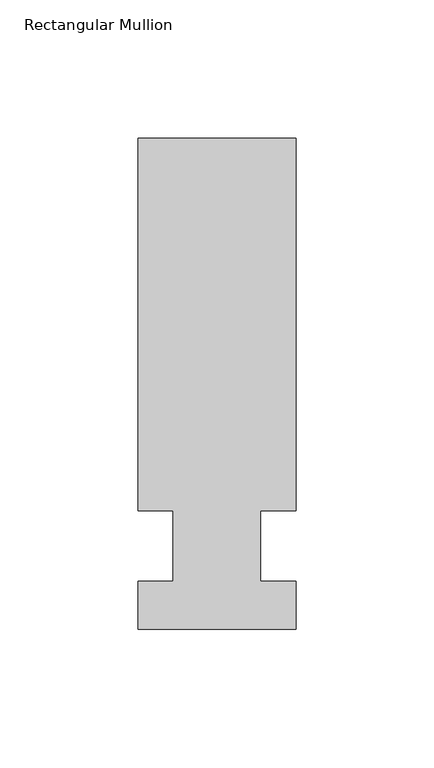
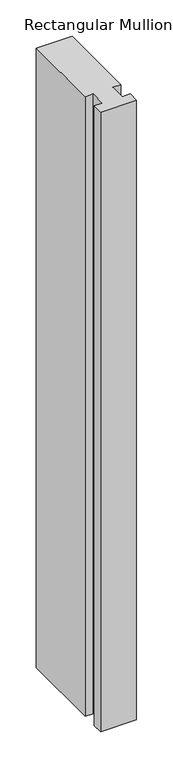
"""IFC4 building model written with IfcOpenShell, lengths in millimetres: member geometry, Rectangular Mullion."""

from ifc_helpers import new_model, si_unit, frame, origin, place, context, project, spatial, polyline, outline, extrude, source, transform, mapped, element, save


def rectangular_mullion_b8baf993(model_context):
    return source(origin(), model_context, "Body", "SweptSolid", [
        extrude(outline(polyline([(28.575, 147.6375), (28.575, 12.7), (15.8732296, 12.7), (15.8732296, -12.7), (28.575, -12.7), (28.575, -30.1625), (-28.575, -30.1625), (-28.575, -12.7), (-15.875, -12.7), (-15.875, 12.7), (-28.575, 12.7), (-28.575, 147.6375), (28.575, 147.6375)])), frame((0.0, 0.0, -1044.575), z_axis=(0.0, 0.0, 1.0), x_axis=(1.0, 0.0, 0.0)), (0.0, 0.0, 1.0), 1044.575),
    ])


if __name__ == "__main__":
    model = new_model("IFC4")
    model_context = context("Model", 3, world=origin())
    ifc_project = project(units=[si_unit("LENGTHUNIT", "METRE", prefix="MILLI")], contexts=[model_context])
    site = spatial("IfcSite", under=ifc_project)
    building = spatial("IfcBuilding", under=site)
    placement = place(None, origin())
    rectangular_mullion_shape = rectangular_mullion_b8baf993(model_context)
    element("IfcMember", 1, ObjectType="Rectangular Mullion", at=placement, inside=building, context=model_context, shape_type="MappedRepresentation", body=[
        mapped(rectangular_mullion_shape, transform((0.0, 0.0, 0.0), x_axis=(1.0, 0.0, 0.0), y_axis=(0.0, 1.0, 0.0), z_axis=(0.0, 0.0, 1.0))),
    ])
    save(model, "model.ifc")
